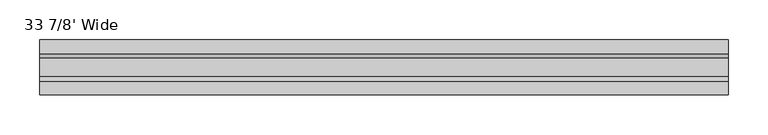
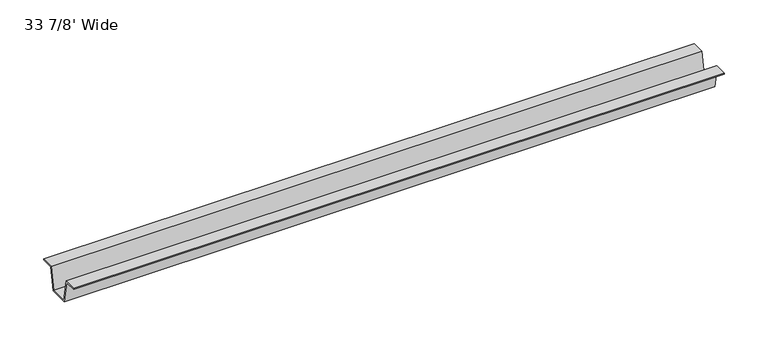
"""IFC4 building model written with IfcOpenShell, lengths in millimetres: furniture geometry, 33 7/8' Wide."""

import ifcopenshell
import ifcopenshell.guid

model = None  # the IFC model being written
_history = None  # IfcOwnerHistory: only IFC2X3 demands one
_inside = {}  # id of a spatial element -> (the spatial element, [elements in it])
_under = {}  # id of a project, library or spatial element -> (it, [spatial elements below it])
_declared = {}  # id of a project -> (the project, [libraries it declares])
_typed = {}  # id of a type object -> (the type object, [elements of that type])
_made_of = {}  # id of a material, layer set ... -> (it, [elements and type objects made of it])


def new_model(schema):
    """Start an empty IFC model of exactly this schema.

    Asked for "IFC4X3", IfcOpenShell would pick the latest addendum, in which some entities
    have other attributes; the version numbers below select the first issue.
    IFC2X3 requires an IfcOwnerHistory on every rooted entity: one is made here for all.
    """
    global model, _history
    if schema == "IFC4X3":
        model = ifcopenshell.file(schema_version=(4, 3, 0, 0))
    else:
        model = ifcopenshell.file(schema=schema)
    _inside.clear()
    _under.clear()
    _declared.clear()
    _typed.clear()
    _made_of.clear()
    _history = None
    if model.schema == "IFC2X3":
        org = make("IfcOrganization", Name="unknown")
        user = make(
            "IfcPersonAndOrganization",
            ThePerson=make("IfcPerson", FamilyName="unknown"),
            TheOrganization=org,
        )
        app = make(
            "IfcApplication",
            ApplicationDeveloper=org,
            Version="unknown",
            ApplicationFullName="unknown",
            ApplicationIdentifier="unknown",
        )
        _history = make(
            "IfcOwnerHistory",
            OwningUser=user,
            OwningApplication=app,
            ChangeAction="ADDED",
            CreationDate=0,
        )
    return model


def make(cls, **values):
    """One entity of the class cls with the attributes given. An attribute that is None is left unset."""
    return model.create_entity(
        cls, **{name: value for name, value in values.items() if value is not None}
    )


def rooted(cls, **values):
    """An entity with a GlobalId (a new one), such as an element, a storey or a relation."""
    return make(cls, GlobalId=ifcopenshell.guid.new(), OwnerHistory=_history, **values)


def si_unit(unit_type, name, prefix=None):
    """IfcSIUnit, for example si_unit("LENGTHUNIT", "METRE", prefix="MILLI")."""
    return make("IfcSIUnit", UnitType=unit_type, Prefix=prefix, Name=name)


def assignment(units):
    """IfcUnitAssignment: the units of a project."""
    return None if units is None else make("IfcUnitAssignment", Units=units)


def point(xyz):
    """IfcCartesianPoint."""
    return None if xyz is None else make("IfcCartesianPoint", Coordinates=xyz)


def direction(xyz):
    """IfcDirection."""
    return None if xyz is None else make("IfcDirection", DirectionRatios=xyz)


def frame(location, z_axis=None, x_axis=None):
    """IfcAxis2Placement3D, a coordinate frame: its origin and axes. An axis left out is left unset."""
    return make(
        "IfcAxis2Placement3D",
        Location=point(location),
        Axis=direction(z_axis),
        RefDirection=direction(x_axis),
    )


def origin():
    """The frame at (0, 0, 0) with its axes left unset."""
    return frame((0.0, 0.0, 0.0))


def place(relative_to, where):
    """IfcLocalPlacement: puts the frame where relative to a parent placement (None: the world)."""
    return make(
        "IfcLocalPlacement", PlacementRelTo=relative_to, RelativePlacement=where
    )


def context(
    kind, dimensions, precision=None, world=None, true_north=None, identifier=None
):
    """IfcGeometricRepresentationContext, for example the 3D "Model" context."""
    return make(
        "IfcGeometricRepresentationContext",
        ContextIdentifier=identifier,
        ContextType=kind,
        CoordinateSpaceDimension=dimensions,
        Precision=precision,
        WorldCoordinateSystem=world,
        TrueNorth=true_north,
    )


def project(units=None, contexts=None):
    """IfcProject with its units and contexts."""
    return rooted(
        "IfcProject",
        Name="project",
        RepresentationContexts=contexts,
        UnitsInContext=assignment(units),
    )


def spatial(cls, under=None, at=None, **own):
    """A site, building, storey or space (cls), placed at a placement, below another one or the project."""
    s = rooted(cls, ObjectPlacement=at, **own)
    if under is not None:
        _under.setdefault(under.id(), (under, []))[1].append(s)
    return s


def polyline(points):
    """IfcPolyline through the points."""
    return make("IfcPolyline", Points=[point(p) for p in points])


def outline(outer, holes=None, kind="AREA"):
    """IfcArbitraryClosedProfileDef: a profile drawn as a closed curve; with holes, ...WithVoids."""
    if holes is None:
        return make("IfcArbitraryClosedProfileDef", ProfileType=kind, OuterCurve=outer)
    return make(
        "IfcArbitraryProfileDefWithVoids",
        ProfileType=kind,
        OuterCurve=outer,
        InnerCurves=holes,
    )


def extrude(swept, where, along, depth):
    """IfcExtrudedAreaSolid: the profile swept, set in the frame where, extruded along a direction by depth."""
    return make(
        "IfcExtrudedAreaSolid",
        SweptArea=swept,
        Position=where,
        ExtrudedDirection=direction(along),
        Depth=depth,
    )


def shape(context_of_items, identifier, shape_type, items):
    """IfcShapeRepresentation: the items that make up one representation, for example the "Body"."""
    return make(
        "IfcShapeRepresentation",
        ContextOfItems=context_of_items,
        RepresentationIdentifier=identifier,
        RepresentationType=shape_type,
        Items=items,
    )


def source(mapping_origin, context_of_items, identifier, shape_type, items):
    """IfcRepresentationMap: a shape defined once, which mapped items show again and again."""
    return make(
        "IfcRepresentationMap",
        MappingOrigin=mapping_origin,
        MappedRepresentation=shape(context_of_items, identifier, shape_type, items),
    )


def transform(
    local_origin,
    x_axis=None,
    y_axis=None,
    z_axis=None,
    scale=None,
    scale2=None,
    scale3=None,
    uniform=True,
):
    """IfcCartesianTransformationOperator3D, or its non-uniform kind. x_axis, y_axis, z_axis: its Axis1, 2, 3."""
    if uniform:
        return make(
            "IfcCartesianTransformationOperator3D",
            Axis1=direction(x_axis),
            Axis2=direction(y_axis),
            LocalOrigin=point(local_origin),
            Scale=scale,
            Axis3=direction(z_axis),
        )
    return make(
        "IfcCartesianTransformationOperator3DnonUniform",
        Axis1=direction(x_axis),
        Axis2=direction(y_axis),
        LocalOrigin=point(local_origin),
        Scale=scale,
        Axis3=direction(z_axis),
        Scale2=scale2,
        Scale3=scale3,
    )


def mapped(mapping_source, mapping_target):
    """IfcMappedItem: shows the shape of a source again, moved by a transform."""
    return make(
        "IfcMappedItem", MappingSource=mapping_source, MappingTarget=mapping_target
    )


def made_of(thing, what):
    """Note that an element or type object is made of a material, layer set ...; save() writes the relation."""
    if what is not None:
        _made_of.setdefault(what.id(), (what, []))[1].append(thing)
    return thing


def element(
    cls,
    number,
    at=None,
    inside=None,
    cuts=None,
    type_object=None,
    material=None,
    context=None,
    identifier="Body",
    shape_type=None,
    held_by="IfcProductDefinitionShape",
    body=None,
    shapes=None,
    **own,
):
    """One element of the class cls, such as IfcWall. Its Tag is "e" and its number.

    at: its placement. inside: the storey or other place that contains it. cuts: it is an
    opening in that element (IfcRelVoidsElement). A single representation is given by context,
    identifier, shape_type and body (its items); several are given by shapes. held_by: the class
    of the entity that holds the representations. save() writes the other relations.
    """
    e = rooted(cls, Tag="e%d" % number, ObjectPlacement=at, **own)
    if body is not None:
        shapes = [shape(context, identifier, shape_type, body)]
    if shapes is not None:
        e.Representation = make(held_by, Representations=shapes)
    if inside is not None:
        _inside.setdefault(inside.id(), (inside, []))[1].append(e)
    if cuts is not None:
        rooted(
            "IfcRelVoidsElement", RelatingBuildingElement=cuts, RelatedOpeningElement=e
        )
    if type_object is not None:
        _typed.setdefault(type_object.id(), (type_object, []))[1].append(e)
    return made_of(e, material)


def aggregate(whole, parts):
    """IfcRelAggregates: a whole, such as a stair, and the parts it consists of."""
    return rooted("IfcRelAggregates", RelatingObject=whole, RelatedObjects=parts)


def save(model, path):
    """Write the relations noted so far, then the file.

    IfcRelAggregates (storeys below a building ...), IfcRelContainedInSpatialStructure (elements
    in a storey), IfcRelDefinesByType, IfcRelAssociatesMaterial and IfcRelDeclares: one each for
    every whole, place, type object, material and project.
    """
    for whole, parts in _under.values():
        aggregate(whole, parts)
    for where, things in _inside.values():
        rooted(
            "IfcRelContainedInSpatialStructure",
            RelatedElements=things,
            RelatingStructure=where,
        )
    for kind, things in _typed.values():
        rooted("IfcRelDefinesByType", RelatedObjects=things, RelatingType=kind)
    for what, things in _made_of.values():
        rooted("IfcRelAssociatesMaterial", RelatedObjects=things, RelatingMaterial=what)
    for by, libraries in _declared.values():
        rooted("IfcRelDeclares", RelatingContext=by, RelatedDefinitions=libraries)
    model.write(path)


def furniture_33_7_8_wide_33da80da(model_context):
    return source(origin(), model_context, "Body", "SweptSolid", [
        extrude(outline(polyline([(137.3862362, 709.676), (121.485835, 709.676), (115.9232385, 679.4500008), (90.5232355, 679.4500008), (84.960639, 709.676), (69.0602378, 709.676), (69.0602378, 711.2), (85.9714992, 711.2), (91.5808402, 680.7200008), (114.8656337, 680.7200008), (120.4749747, 711.2), (137.3862362, 711.2), (137.3862362, 709.676)])), frame((56.104992, 0.0, 0.0), z_axis=(1.0, 0.0, 0.0), x_axis=(0.0, 1.0, 0.0)), (0.0, 0.0, 1.0), 860.425),
    ])


if __name__ == "__main__":
    model = new_model("IFC4")
    model_context = context("Model", 3, world=origin())
    ifc_project = project(units=[si_unit("LENGTHUNIT", "METRE", prefix="MILLI")], contexts=[model_context])
    site = spatial("IfcSite", under=ifc_project)
    building = spatial("IfcBuilding", under=site)
    placement = place(None, origin())
    furniture_33_7_8_wide_shape = furniture_33_7_8_wide_33da80da(model_context)
    element("IfcFurniture", 1, ObjectType="33 7/8' Wide", at=placement, inside=building, context=model_context, shape_type="MappedRepresentation", body=[
        mapped(furniture_33_7_8_wide_shape, transform((0.0, 0.0, 0.0), x_axis=(1.0, 0.0, 0.0), y_axis=(0.0, 1.0, 0.0), z_axis=(0.0, 0.0, 1.0))),
    ])
    save(model, "model.ifc")
